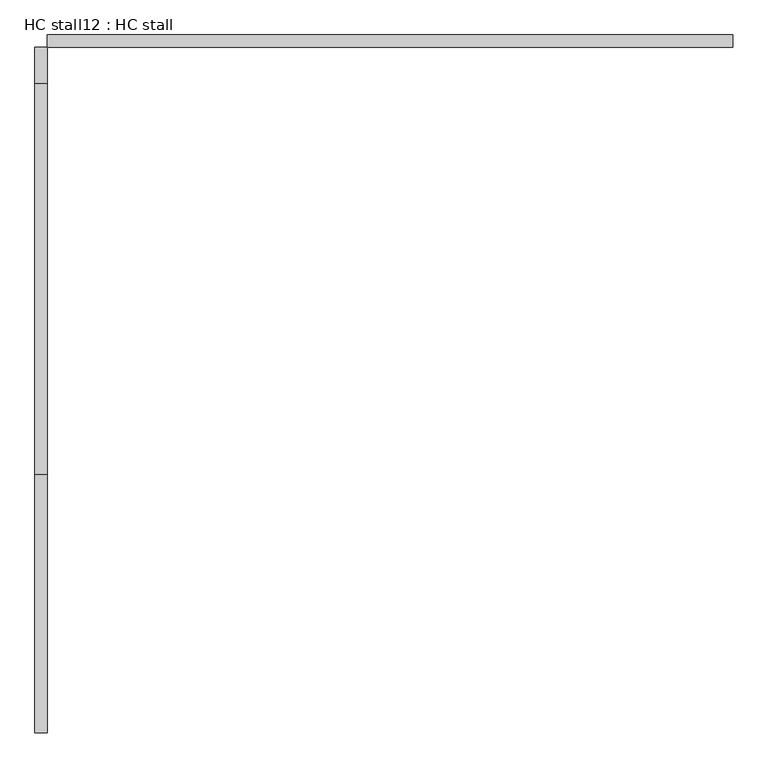
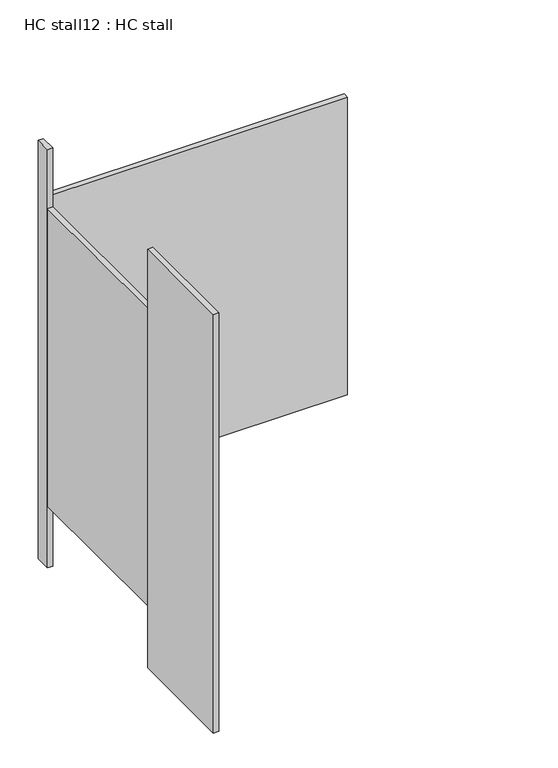
"""IFC4 building model written with IfcOpenShell, lengths in millimetres: proxy geometry, HC stall12 : HC stall."""

import ifcopenshell
import ifcopenshell.guid

model = None  # the IFC model being written
_history = None  # IfcOwnerHistory: only IFC2X3 demands one
_inside = {}  # id of a spatial element -> (the spatial element, [elements in it])
_under = {}  # id of a project, library or spatial element -> (it, [spatial elements below it])
_declared = {}  # id of a project -> (the project, [libraries it declares])
_typed = {}  # id of a type object -> (the type object, [elements of that type])
_made_of = {}  # id of a material, layer set ... -> (it, [elements and type objects made of it])


def new_model(schema):
    """Start an empty IFC model of exactly this schema.

    Asked for "IFC4X3", IfcOpenShell would pick the latest addendum, in which some entities
    have other attributes; the version numbers below select the first issue.
    IFC2X3 requires an IfcOwnerHistory on every rooted entity: one is made here for all.
    """
    global model, _history
    if schema == "IFC4X3":
        model = ifcopenshell.file(schema_version=(4, 3, 0, 0))
    else:
        model = ifcopenshell.file(schema=schema)
    _inside.clear()
    _under.clear()
    _declared.clear()
    _typed.clear()
    _made_of.clear()
    _history = None
    if model.schema == "IFC2X3":
        org = make("IfcOrganization", Name="unknown")
        user = make(
            "IfcPersonAndOrganization",
            ThePerson=make("IfcPerson", FamilyName="unknown"),
            TheOrganization=org,
        )
        app = make(
            "IfcApplication",
            ApplicationDeveloper=org,
            Version="unknown",
            ApplicationFullName="unknown",
            ApplicationIdentifier="unknown",
        )
        _history = make(
            "IfcOwnerHistory",
            OwningUser=user,
            OwningApplication=app,
            ChangeAction="ADDED",
            CreationDate=0,
        )
    return model


def make(cls, **values):
    """One entity of the class cls with the attributes given. An attribute that is None is left unset."""
    return model.create_entity(
        cls, **{name: value for name, value in values.items() if value is not None}
    )


def rooted(cls, **values):
    """An entity with a GlobalId (a new one), such as an element, a storey or a relation."""
    return make(cls, GlobalId=ifcopenshell.guid.new(), OwnerHistory=_history, **values)


def si_unit(unit_type, name, prefix=None):
    """IfcSIUnit, for example si_unit("LENGTHUNIT", "METRE", prefix="MILLI")."""
    return make("IfcSIUnit", UnitType=unit_type, Prefix=prefix, Name=name)


def assignment(units):
    """IfcUnitAssignment: the units of a project."""
    return None if units is None else make("IfcUnitAssignment", Units=units)


def point(xyz):
    """IfcCartesianPoint."""
    return None if xyz is None else make("IfcCartesianPoint", Coordinates=xyz)


def direction(xyz):
    """IfcDirection."""
    return None if xyz is None else make("IfcDirection", DirectionRatios=xyz)


def frame(location, z_axis=None, x_axis=None):
    """IfcAxis2Placement3D, a coordinate frame: its origin and axes. An axis left out is left unset."""
    return make(
        "IfcAxis2Placement3D",
        Location=point(location),
        Axis=direction(z_axis),
        RefDirection=direction(x_axis),
    )


def origin():
    """The frame at (0, 0, 0) with its axes left unset."""
    return frame((0.0, 0.0, 0.0))


def origin_with_axes():
    """The frame at (0, 0, 0) with the z axis (0, 0, 1) and the x axis (1, 0, 0) written out."""
    return frame((0.0, 0.0, 0.0), z_axis=(0.0, 0.0, 1.0), x_axis=(1.0, 0.0, 0.0))


def place(relative_to, where):
    """IfcLocalPlacement: puts the frame where relative to a parent placement (None: the world)."""
    return make(
        "IfcLocalPlacement", PlacementRelTo=relative_to, RelativePlacement=where
    )


def context(
    kind, dimensions, precision=None, world=None, true_north=None, identifier=None
):
    """IfcGeometricRepresentationContext, for example the 3D "Model" context."""
    return make(
        "IfcGeometricRepresentationContext",
        ContextIdentifier=identifier,
        ContextType=kind,
        CoordinateSpaceDimension=dimensions,
        Precision=precision,
        WorldCoordinateSystem=world,
        TrueNorth=true_north,
    )


def project(units=None, contexts=None):
    """IfcProject with its units and contexts."""
    return rooted(
        "IfcProject",
        Name="project",
        RepresentationContexts=contexts,
        UnitsInContext=assignment(units),
    )


def spatial(cls, under=None, at=None, **own):
    """A site, building, storey or space (cls), placed at a placement, below another one or the project."""
    s = rooted(cls, ObjectPlacement=at, **own)
    if under is not None:
        _under.setdefault(under.id(), (under, []))[1].append(s)
    return s


def polyline(points):
    """IfcPolyline through the points."""
    return make("IfcPolyline", Points=[point(p) for p in points])


def outline(outer, holes=None, kind="AREA"):
    """IfcArbitraryClosedProfileDef: a profile drawn as a closed curve; with holes, ...WithVoids."""
    if holes is None:
        return make("IfcArbitraryClosedProfileDef", ProfileType=kind, OuterCurve=outer)
    return make(
        "IfcArbitraryProfileDefWithVoids",
        ProfileType=kind,
        OuterCurve=outer,
        InnerCurves=holes,
    )


def extrude(swept, where, along, depth):
    """IfcExtrudedAreaSolid: the profile swept, set in the frame where, extruded along a direction by depth."""
    return make(
        "IfcExtrudedAreaSolid",
        SweptArea=swept,
        Position=where,
        ExtrudedDirection=direction(along),
        Depth=depth,
    )


def shape(context_of_items, identifier, shape_type, items):
    """IfcShapeRepresentation: the items that make up one representation, for example the "Body"."""
    return make(
        "IfcShapeRepresentation",
        ContextOfItems=context_of_items,
        RepresentationIdentifier=identifier,
        RepresentationType=shape_type,
        Items=items,
    )


def source(mapping_origin, context_of_items, identifier, shape_type, items):
    """IfcRepresentationMap: a shape defined once, which mapped items show again and again."""
    return make(
        "IfcRepresentationMap",
        MappingOrigin=mapping_origin,
        MappedRepresentation=shape(context_of_items, identifier, shape_type, items),
    )


def transform(
    local_origin,
    x_axis=None,
    y_axis=None,
    z_axis=None,
    scale=None,
    scale2=None,
    scale3=None,
    uniform=True,
):
    """IfcCartesianTransformationOperator3D, or its non-uniform kind. x_axis, y_axis, z_axis: its Axis1, 2, 3."""
    if uniform:
        return make(
            "IfcCartesianTransformationOperator3D",
            Axis1=direction(x_axis),
            Axis2=direction(y_axis),
            LocalOrigin=point(local_origin),
            Scale=scale,
            Axis3=direction(z_axis),
        )
    return make(
        "IfcCartesianTransformationOperator3DnonUniform",
        Axis1=direction(x_axis),
        Axis2=direction(y_axis),
        LocalOrigin=point(local_origin),
        Scale=scale,
        Axis3=direction(z_axis),
        Scale2=scale2,
        Scale3=scale3,
    )


def mapped(mapping_source, mapping_target):
    """IfcMappedItem: shows the shape of a source again, moved by a transform."""
    return make(
        "IfcMappedItem", MappingSource=mapping_source, MappingTarget=mapping_target
    )


def made_of(thing, what):
    """Note that an element or type object is made of a material, layer set ...; save() writes the relation."""
    if what is not None:
        _made_of.setdefault(what.id(), (what, []))[1].append(thing)
    return thing


def element(
    cls,
    number,
    at=None,
    inside=None,
    cuts=None,
    type_object=None,
    material=None,
    context=None,
    identifier="Body",
    shape_type=None,
    held_by="IfcProductDefinitionShape",
    body=None,
    shapes=None,
    **own,
):
    """One element of the class cls, such as IfcWall. Its Tag is "e" and its number.

    at: its placement. inside: the storey or other place that contains it. cuts: it is an
    opening in that element (IfcRelVoidsElement). A single representation is given by context,
    identifier, shape_type and body (its items); several are given by shapes. held_by: the class
    of the entity that holds the representations. save() writes the other relations.
    """
    e = rooted(cls, Tag="e%d" % number, ObjectPlacement=at, **own)
    if body is not None:
        shapes = [shape(context, identifier, shape_type, body)]
    if shapes is not None:
        e.Representation = make(held_by, Representations=shapes)
    if inside is not None:
        _inside.setdefault(inside.id(), (inside, []))[1].append(e)
    if cuts is not None:
        rooted(
            "IfcRelVoidsElement", RelatingBuildingElement=cuts, RelatedOpeningElement=e
        )
    if type_object is not None:
        _typed.setdefault(type_object.id(), (type_object, []))[1].append(e)
    return made_of(e, material)


def aggregate(whole, parts):
    """IfcRelAggregates: a whole, such as a stair, and the parts it consists of."""
    return rooted("IfcRelAggregates", RelatingObject=whole, RelatedObjects=parts)


def save(model, path):
    """Write the relations noted so far, then the file.

    IfcRelAggregates (storeys below a building ...), IfcRelContainedInSpatialStructure (elements
    in a storey), IfcRelDefinesByType, IfcRelAssociatesMaterial and IfcRelDeclares: one each for
    every whole, place, type object, material and project.
    """
    for whole, parts in _under.values():
        aggregate(whole, parts)
    for where, things in _inside.values():
        rooted(
            "IfcRelContainedInSpatialStructure",
            RelatedElements=things,
            RelatingStructure=where,
        )
    for kind, things in _typed.values():
        rooted("IfcRelDefinesByType", RelatedObjects=things, RelatingType=kind)
    for what, things in _made_of.values():
        rooted("IfcRelAssociatesMaterial", RelatedObjects=things, RelatingMaterial=what)
    for by, libraries in _declared.values():
        rooted("IfcRelDeclares", RelatingContext=by, RelatedDefinitions=libraries)
    model.write(path)


def hc_stall12_hc_stall_f26fb257(model_context):
    return source(origin(), model_context, "Body", "SweptSolid", [
        extrude(outline(polyline([(456080.6004676, -351265.3455223), (456080.6004676, -351290.7455223), (454658.2004676, -351290.7455223), (454658.2004676, -351265.3455223), (456080.6004676, -351265.3455223)])), frame((0.0, 0.0, 304.8), z_axis=(0.0, 0.0, 1.0), x_axis=(1.0, 0.0, 0.0)), (0.0, 0.0, 1.0), 1473.2),
        extrude(outline(polyline([(454658.2004676, -352178.1580223), (454658.2004676, -352713.1455223), (454632.8004676, -352713.1455223), (454632.8004676, -352178.1580223), (454658.2004676, -352178.1580223)])), origin_with_axes(), (0.0, 0.0, 1.0), 2070.1),
        extrude(outline(polyline([(454658.2004676, -351290.7455223), (454658.2004676, -351365.3580223), (454632.8004676, -351365.3580223), (454632.8004676, -351290.7455223), (454658.2004676, -351290.7455223)])), origin_with_axes(), (0.0, 0.0, 1.0), 2070.1),
        extrude(outline(polyline([(454658.2004676, -351365.3580223), (454658.2004676, -352178.1580223), (454632.8004676, -352178.1580223), (454632.8004676, -351365.3580223), (454658.2004676, -351365.3580223)])), frame((0.0, 0.0, 304.8), z_axis=(0.0, 0.0, 1.0), x_axis=(1.0, 0.0, 0.0)), (0.0, 0.0, 1.0), 1473.2),
    ])


if __name__ == "__main__":
    model = new_model("IFC4")
    model_context = context("Model", 3, world=origin())
    ifc_project = project(units=[si_unit("LENGTHUNIT", "METRE", prefix="MILLI")], contexts=[model_context])
    site = spatial("IfcSite", under=ifc_project)
    building = spatial("IfcBuilding", under=site)
    placement = place(None, origin())
    hc_stall12_hc_stall_shape = hc_stall12_hc_stall_f26fb257(model_context)
    element("IfcBuildingElementProxy", 1, Name="HC stall12 : HC stall", ObjectType="HC stall12 : HC stall", at=placement, inside=building, context=model_context, shape_type="MappedRepresentation", body=[
        mapped(hc_stall12_hc_stall_shape, transform((0.0, 0.0, 0.0), x_axis=(1.0, 0.0, 0.0), y_axis=(0.0, 1.0, 0.0), z_axis=(0.0, 0.0, 1.0))),
    ])
    save(model, "model.ifc")
